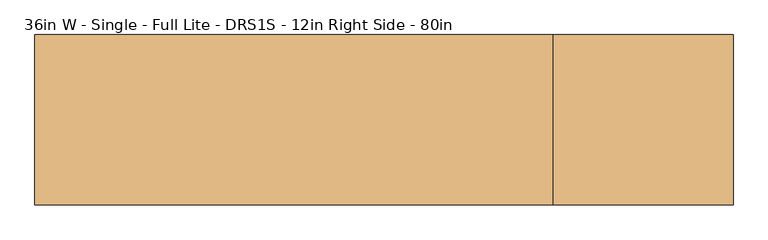
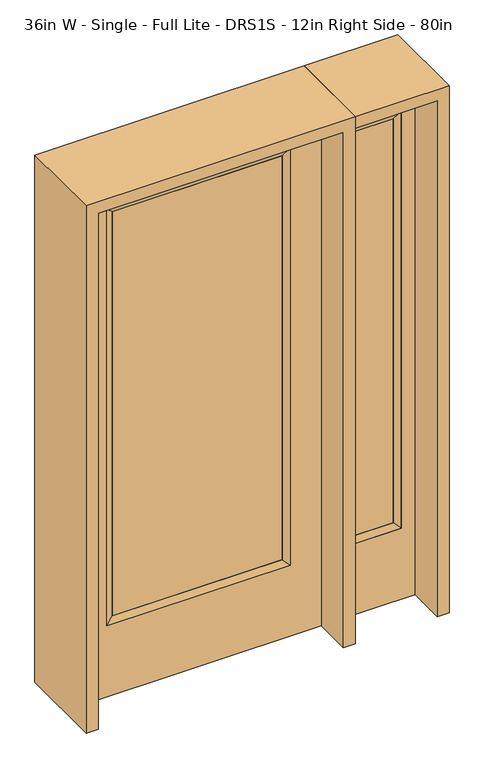
"""IFC4 building model written with IfcOpenShell, lengths in millimetres: door geometry, 36in W - Single - Full Lite - DRS1S - 12in Right Side - 80in."""

from ifc_helpers import new_model, si_unit, frame, origin, place, context, project, spatial, polyline, outline, extrude, faceted_brep, source, transform, mapped, element, save


def door_36in_w_single_full_lite_drs1s_12in_right_side_80in_3c46d29e(model_context):
    return source(origin(), model_context, "Body", "SolidModel", [
        extrude(outline(polyline([(316.3824, -12.7039749), (-316.3824, -12.7039749), (-316.3824, 14.2875), (316.3824, 14.2875), (316.3824, -12.7039749)])), frame((0.0, 0.0, 304.8), z_axis=(0.0, 0.0, 1.0), x_axis=(1.0, 0.0, 0.0)), (0.0, 0.0, 1.0), 1591.1576),
        faceted_brep([(316.3824, 14.2875, 1895.9576), (341.7824, 22.225, 1921.3576), (341.7824, 22.225, 279.4), (316.3824, 14.2875, 304.8), (341.7824, -22.225, 1921.3576), (341.7824, -22.225, 279.4), (-341.7824, 22.225, 279.4), (-316.3824, 14.2875, 304.8), (316.3824, -12.7039749, 1895.9576), (316.3824, -12.7039749, 304.8), (-316.3824, -12.7039749, 304.8), (-341.7824, -22.225, 279.4), (-341.7824, 22.225, 1921.3576), (-316.3824, 14.2875, 1895.9576), (-316.3824, -12.7039749, 1895.9576), (-341.7824, -22.225, 1921.3576)], [[[0, 1, 2, 3]], [[1, 4, 5, 2]], [[3, 2, 6, 7]], [[8, 0, 3, 9]], [[9, 3, 7, 10]], [[4, 8, 9, 5]], [[5, 9, 10, 11]], [[2, 5, 11, 6]], [[7, 6, 12, 13]], [[10, 7, 13, 14]], [[11, 10, 14, 15]], [[6, 11, 15, 12]], [[13, 12, 1, 0]], [[14, 13, 0, 8]], [[15, 14, 8, 4]], [[12, 15, 4, 1]]]),
        extrude(outline(polyline([(0.0, -457.2), (0.0, 457.2), (2032.0, 457.2), (2032.0, -457.2), (0.0, -457.2)]), holes=[polyline([(279.4, -341.7824), (1921.3576, -341.7824), (1921.3576, 341.7824), (279.4, 341.7824), (279.4, -341.7824)])]), frame((0.0, -22.225, 0.0), z_axis=(0.0, 1.0, 0.0), x_axis=(0.0, 0.0, 1.0)), (0.0, 0.0, 1.0), 44.45),
        faceted_brep([(552.45, 20.6375, 1920.875), (552.45, 20.6375, 279.4), (552.45, -20.6375, 279.4), (552.45, -20.6375, 1920.875), (577.85, -12.7, 304.8), (577.85, -12.7, 1895.475), (755.65, 20.6375, 279.4), (755.65, -20.6375, 279.4), (577.85, 12.7, 1895.475), (577.85, 12.7, 304.8), (730.25, 12.7, 304.8), (730.25, -12.7, 304.8), (755.65, 20.6375, 1920.875), (755.65, -20.6375, 1920.875), (730.25, 12.7, 1895.475), (730.25, -12.7, 1895.475)], [[[0, 1, 2, 3]], [[3, 2, 4, 5]], [[1, 6, 7, 2]], [[8, 9, 1, 0]], [[9, 10, 6, 1]], [[5, 4, 9, 8]], [[4, 11, 10, 9]], [[2, 7, 11, 4]], [[6, 12, 13, 7]], [[10, 14, 12, 6]], [[11, 15, 14, 10]], [[7, 13, 15, 11]], [[12, 0, 3, 13]], [[14, 8, 0, 12]], [[15, 5, 8, 14]], [[13, 3, 5, 15]]]),
        extrude(outline(polyline([(0.0, 806.45), (2032.0, 806.45), (2032.0, 501.65), (0.0, 501.65), (0.0, 806.45)]), holes=[polyline([(1920.875, 552.45), (1920.875, 755.65), (279.4, 755.65), (279.4, 552.45), (1920.875, 552.45)])]), frame((0.0, -20.6375, 0.0), z_axis=(0.0, 1.0, 0.0), x_axis=(0.0, 0.0, 1.0)), (0.0, 0.0, 1.0), 41.275),
        extrude(outline(polyline([(577.85, -12.7), (577.85, 12.7), (730.25, 12.7), (730.25, -12.7), (577.85, -12.7)])), frame((0.0, 0.0, 304.8), z_axis=(0.0, 0.0, 1.0), x_axis=(1.0, 0.0, 0.0)), (0.0, 0.0, 1.0), 1590.675),
        extrude(outline(polyline([(2076.45, -501.65), (0.0, -501.65), (0.0, -457.2), (2032.0, -457.2), (2032.0, 457.2), (0.0, 457.2), (0.0, 501.65), (2076.45, 501.65), (2076.45, -501.65)])), frame((0.0, -165.1, 0.0), z_axis=(0.0, 1.0, 0.0), x_axis=(0.0, 0.0, 1.0)), (0.0, 0.0, 1.0), 330.2),
        extrude(outline(polyline([(0.0, 806.45), (0.0, 850.9), (2076.45, 850.9), (2076.45, 501.65), (2032.0, 501.65), (2032.0, 806.45), (0.0, 806.45)])), frame((0.0, -165.1, 0.0), z_axis=(0.0, 1.0, 0.0), x_axis=(0.0, 0.0, 1.0)), (0.0, 0.0, 1.0), 330.2),
    ])


if __name__ == "__main__":
    model = new_model("IFC4")
    model_context = context("Model", 3, world=origin())
    ifc_project = project(units=[si_unit("LENGTHUNIT", "METRE", prefix="MILLI")], contexts=[model_context])
    site = spatial("IfcSite", under=ifc_project)
    building = spatial("IfcBuilding", under=site)
    placement = place(None, origin())
    door_36in_w_single_full_lite_drs1s_12in_right_side_80in_shape = door_36in_w_single_full_lite_drs1s_12in_right_side_80in_3c46d29e(model_context)
    element("IfcDoor", 1, ObjectType="36in W - Single - Full Lite - DRS1S - 12in Right Side - 80in", at=placement, inside=building, context=model_context, shape_type="MappedRepresentation", body=[
        mapped(door_36in_w_single_full_lite_drs1s_12in_right_side_80in_shape, transform((0.0, 0.0, 0.0), x_axis=(1.0, 0.0, 0.0), y_axis=(0.0, 1.0, 0.0), z_axis=(0.0, 0.0, 1.0))),
    ])
    save(model, "model.ifc")
